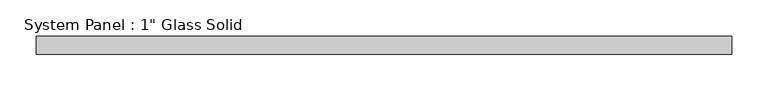
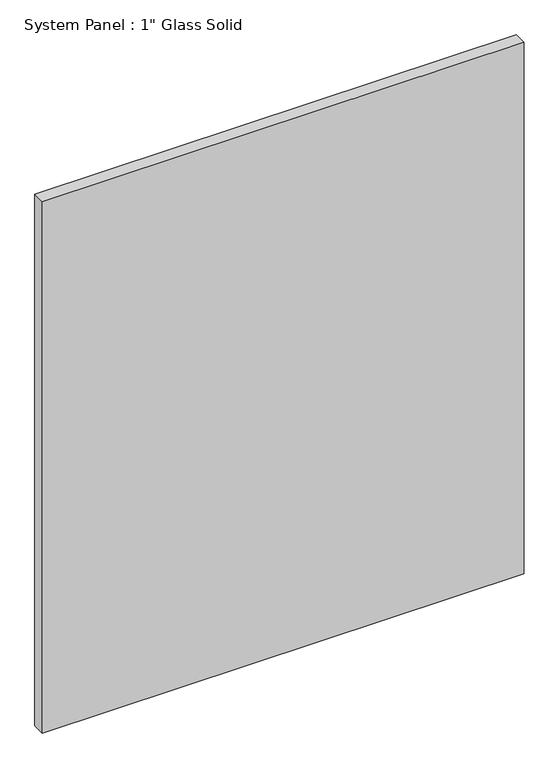
"""IFC4 building model written with IfcOpenShell, lengths in millimetres: plate geometry."""

from ifc_helpers import new_model, si_unit, origin, origin_with_axes, place, context, project, spatial, polyline, outline, extrude, source, transform, mapped, element, save


def plate_522cea62(model_context):
    return source(origin(), model_context, "Body", "SweptSolid", [
        extrude(outline(polyline([(482.6008852, -12.7), (-482.6008852, -12.7), (-482.6008852, 12.7), (482.6008852, 12.7), (482.6008852, -12.7)])), origin_with_axes(), (0.0, 0.0, 1.0), 1125.1111731),
    ])


if __name__ == "__main__":
    model = new_model("IFC4")
    model_context = context("Model", 3, world=origin())
    ifc_project = project(units=[si_unit("LENGTHUNIT", "METRE", prefix="MILLI")], contexts=[model_context])
    site = spatial("IfcSite", under=ifc_project)
    building = spatial("IfcBuilding", under=site)
    placement = place(None, origin())
    plate_shape = plate_522cea62(model_context)
    element("IfcPlate", 1, ObjectType="System Panel : 1\" Glass Solid", at=placement, inside=building, context=model_context, shape_type="MappedRepresentation", body=[
        mapped(plate_shape, transform((0.0, 0.0, 0.0), x_axis=(1.0, 0.0, 0.0), y_axis=(0.0, 1.0, 0.0), z_axis=(0.0, 0.0, 1.0))),
    ])
    save(model, "model.ifc")
